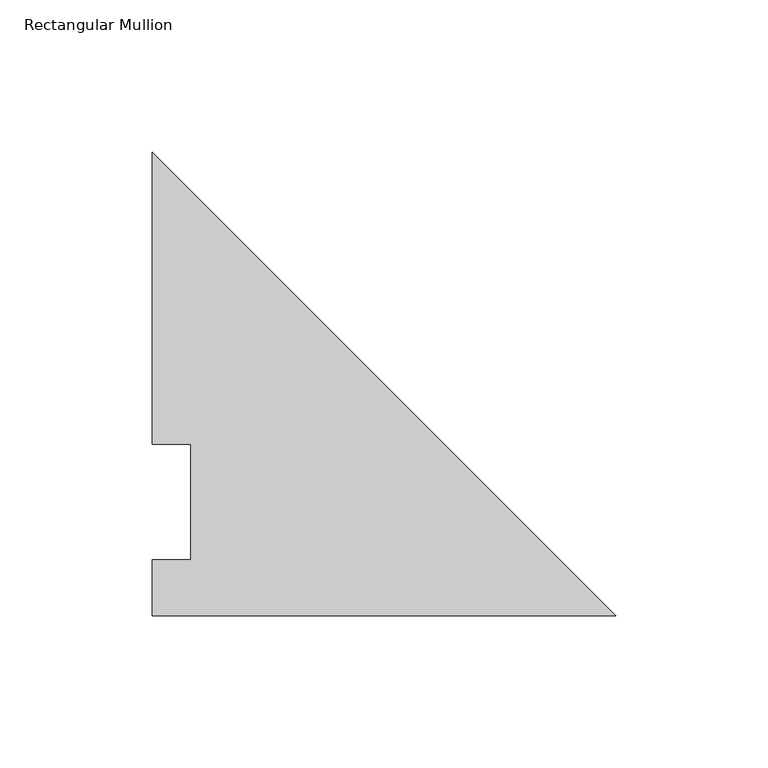
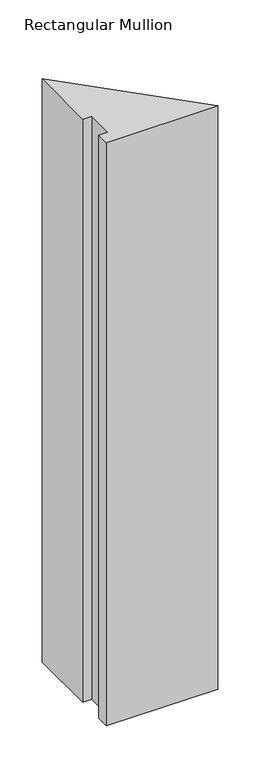
"""IFC4 building model written with IfcOpenShell, lengths in millimetres: member geometry, Rectangular Mullion."""

from ifc_helpers import new_model, si_unit, frame, origin, place, context, project, spatial, polyline, outline, extrude, source, transform, mapped, element, save


def rectangular_mullion_199e443f(model_context):
    return source(origin(), model_context, "Body", "SweptSolid", [
        extrude(outline(polyline([(0.0, -0.0317501), (-152.4000001, -0.0317501), (-152.4000001, 18.25625), (-139.7000001, 18.25625), (-139.7000001, 56.35625), (-152.4000001, 56.35625), (-152.4000001, 152.36825), (0.0, -0.0317501)])), frame((0.0, 0.0, -844.4484), z_axis=(0.0, 0.0, 1.0), x_axis=(1.0, 0.0, 0.0)), (0.0, 0.0, 1.0), 844.4484),
    ])


if __name__ == "__main__":
    model = new_model("IFC4")
    model_context = context("Model", 3, world=origin())
    ifc_project = project(units=[si_unit("LENGTHUNIT", "METRE", prefix="MILLI")], contexts=[model_context])
    site = spatial("IfcSite", under=ifc_project)
    building = spatial("IfcBuilding", under=site)
    placement = place(None, origin())
    rectangular_mullion_shape = rectangular_mullion_199e443f(model_context)
    element("IfcMember", 1, ObjectType="Rectangular Mullion", at=placement, inside=building, context=model_context, shape_type="MappedRepresentation", body=[
        mapped(rectangular_mullion_shape, transform((0.0, 0.0, 0.0), x_axis=(1.0, 0.0, 0.0), y_axis=(0.0, 1.0, 0.0), z_axis=(0.0, 0.0, 1.0))),
    ])
    save(model, "model.ifc")
